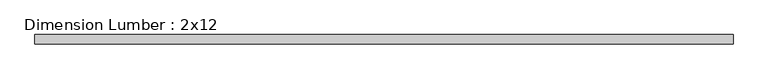
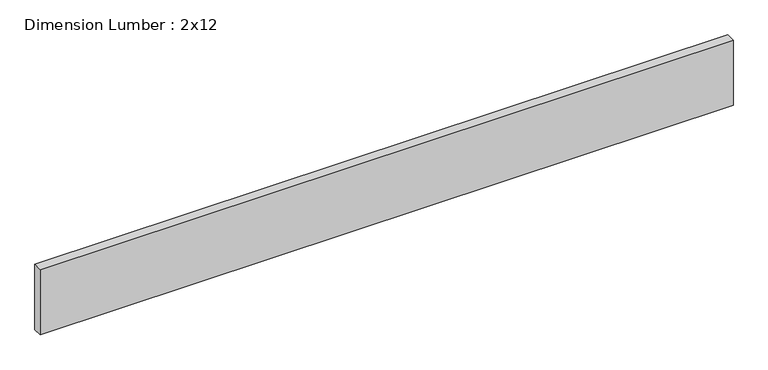
"""IFC4 building model written with IfcOpenShell, lengths in millimetres: beam geometry, Dimension Lumber : 2x12."""

from ifc_helpers import new_model, si_unit, frame, origin, place, context, project, spatial, polyline, outline, extrude, source, transform, mapped, element, save


def dimension_lumber_2x12_51256483(model_context):
    return source(origin(), model_context, "Body", "SweptSolid", [
        extrude(outline(polyline([(1435.1, 19.05), (1435.1, -19.05), (-1435.1, -19.05), (-1435.1, 19.05), (1435.1, 19.05)])), frame((0.0, 0.0, -142.875), z_axis=(0.0, 0.0, 1.0), x_axis=(1.0, 0.0, 0.0)), (0.0, 0.0, 1.0), 285.75),
    ])


if __name__ == "__main__":
    model = new_model("IFC4")
    model_context = context("Model", 3, world=origin())
    ifc_project = project(units=[si_unit("LENGTHUNIT", "METRE", prefix="MILLI")], contexts=[model_context])
    site = spatial("IfcSite", under=ifc_project)
    building = spatial("IfcBuilding", under=site)
    placement = place(None, origin())
    dimension_lumber_2x12_shape = dimension_lumber_2x12_51256483(model_context)
    element("IfcBeam", 1, ObjectType="Dimension Lumber : 2x12", at=placement, inside=building, context=model_context, shape_type="MappedRepresentation", body=[
        mapped(dimension_lumber_2x12_shape, transform((0.0, 0.0, 0.0), x_axis=(1.0, 0.0, 0.0), y_axis=(0.0, 1.0, 0.0), z_axis=(0.0, 0.0, 1.0))),
    ])
    save(model, "model.ifc")
